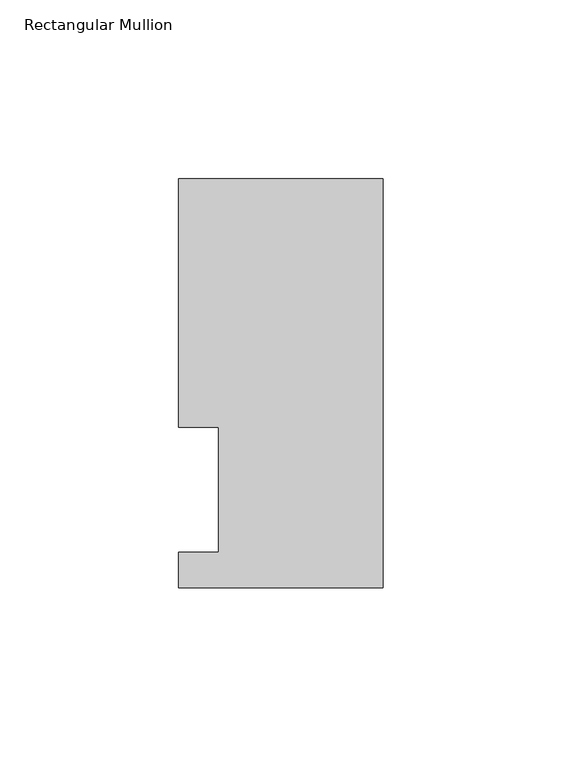
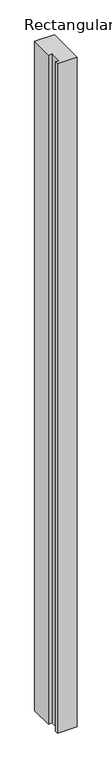
"""IFC4 building model written with IfcOpenShell, lengths in millimetres: member geometry, Rectangular Mullion."""

from ifc_helpers import new_model, si_unit, frame, origin, place, context, project, spatial, polyline, outline, extrude, source, transform, mapped, element, save


def rectangular_mullion_8e9481ba(model_context):
    return source(origin(), model_context, "Body", "SweptSolid", [
        extrude(outline(polyline([(0.0, 114.0729875), (0.0, -0.2270125), (-57.15, -0.2270125), (-57.15, 9.6789875), (-46.0375, 9.6789875), (-46.0375, 44.6039875), (-57.15, 44.6039875), (-57.15, 114.0729875), (0.0, 114.0729875)])), frame((0.0, 0.0, -2060.575), z_axis=(0.0, 0.0, 1.0), x_axis=(1.0, 0.0, 0.0)), (0.0, 0.0, 1.0), 2060.575),
    ])


if __name__ == "__main__":
    model = new_model("IFC4")
    model_context = context("Model", 3, world=origin())
    ifc_project = project(units=[si_unit("LENGTHUNIT", "METRE", prefix="MILLI")], contexts=[model_context])
    site = spatial("IfcSite", under=ifc_project)
    building = spatial("IfcBuilding", under=site)
    placement = place(None, origin())
    rectangular_mullion_shape = rectangular_mullion_8e9481ba(model_context)
    element("IfcMember", 1, ObjectType="Rectangular Mullion", at=placement, inside=building, context=model_context, shape_type="MappedRepresentation", body=[
        mapped(rectangular_mullion_shape, transform((0.0, 0.0, 0.0), x_axis=(1.0, 0.0, 0.0), y_axis=(0.0, 1.0, 0.0), z_axis=(0.0, 0.0, 1.0))),
    ])
    save(model, "model.ifc")
